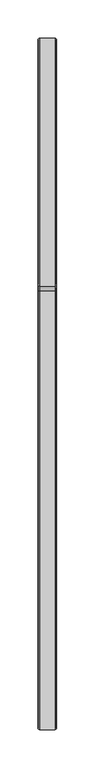
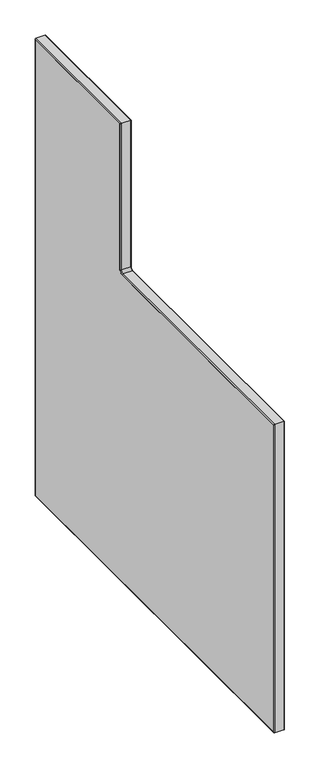
"""IFC4 building model written with IfcOpenShell, lengths in millimetres: furniture geometry."""

from ifc_helpers import new_model, si_unit, point, frame, frame_2d, origin, place, context, project, spatial, polyline, circle_curve, ellipse_curve, trimmed, segment, composite_curve, outline, extrude, source, transform, mapped, element, save
from ifc_brep_helpers import plane_surface, cylinder_surface, revolved_surface, advanced_brep


def furniture_fae74a5c(model_context):
    return source(origin(), model_context, "Body", "SolidModel", [
        extrude(outline(composite_curve([segment(polyline([(72.009, 2.0066), (-825.8302, 2.0066), (-825.8302, 709.1922857), (-255.2785266, 709.1922857)]), True, "CONTINUOUS"), segment(trimmed(circle_curve(frame_2d((-255.2785266, 717.2890923)), 8.0968066), [point((-255.2785266, 709.1922857))], [point((-247.1817201, 717.2890923))], True, "CARTESIAN"), True, "CONTINUOUS"), segment(polyline([(-247.1817201, 717.2890923), (-247.1817201, 1052.8002731), (72.009, 1052.8002731), (72.009, 2.0066)]), True, "CONTINUOUS")], self_intersect=False)), frame((-24.0573997, 0.0, 0.0), z_axis=(1.0, 0.0, 0.0), x_axis=(0.0, 1.0, 0.0)), (0.0, 0.0, 1.0), 23.9999997),
        advanced_brep(
        [(-24.0573997, -825.8302, 2.0066), (-0.0573768, -825.8302, 2.0066), (-0.0573768, 72.009, 2.0066), (-24.0573997, 72.009, 2.0066), (-22.0573764, -827.8302233, 0.0065767), (-22.0573764, 74.0090233, 0.0065767), (-2.0574, -827.8302233, 0.0065767), (-2.0574, 74.0090233, 0.0065767), (-0.0573768, 72.009, 1052.8002731), (-24.0573997, 72.009, 1052.8002731), (-22.0573764, 74.0090233, 1054.8002964), (-2.0574, 74.0090233, 1054.8002964), (-0.0573768, -247.1817201, 1052.8002731), (-24.0573997, -247.1817201, 1052.8002731), (-22.0573764, -249.1817433, 1054.8002964), (-2.0574, -249.1817433, 1054.8002964), (-0.0573768, -247.1817201, 717.2890923), (-24.0573997, -247.1817201, 717.2890923), (-22.0573764, -249.1817433, 717.2890923), (-2.0574, -249.1817433, 717.2890923), (-24.0573997, -255.2785266, 709.1922857), (-0.0573768, -255.2785266, 709.1922857), (-22.0573764, -255.2785266, 711.192309), (-2.0574, -255.2785266, 711.192309), (-0.0573768, -825.8302, 709.1922857), (-24.0573997, -825.8302, 709.1922857), (-22.0573764, -827.8302233, 711.192309), (-2.0574, -827.8302233, 711.192309)],
        [
            (0, 1),
            (1, 2),
            (2, 3),
            (3, 0),
            (4, 0, ellipse_curve(frame((-22.0573764, -825.8302, 2.0066), z_axis=(0.0, 0.7071067811865475, -0.7071067811865475), x_axis=(0.0, -0.7071067811865476, -0.7071067811865474)), 2.82846, 2.0000233)),
            (3, 5, ellipse_curve(frame((-22.0573764, 72.009, 2.0066), z_axis=(0.0, -0.7071067811865475, -0.7071067811865475), x_axis=(0.0, -0.7071067811865476, 0.7071067811865474)), 2.82846, 2.0000233)),
            (5, 4),
            (6, 4),
            (5, 7),
            (7, 6),
            (1, 6, ellipse_curve(frame((-2.0574, -825.8302, 2.0066), z_axis=(0.0, 0.7071067811865475, -0.7071067811865475), x_axis=(0.0, -0.7071067811865476, -0.7071067811865474)), 2.82846, 2.0000233)),
            (7, 2, ellipse_curve(frame((-2.0574, 72.009, 2.0066), z_axis=(0.0, -0.7071067811865475, -0.7071067811865475), x_axis=(0.0, -0.7071067811865476, 0.7071067811865474)), 2.82846, 2.0000233)),
            (2, 8),
            (8, 9),
            (9, 3),
            (9, 10, ellipse_curve(frame((-22.0573764, 72.009, 1052.8002731), z_axis=(0.0, 0.7071067811865475, -0.7071067811865475), x_axis=(0.0, -0.7071067811865474, -0.7071067811865476)), 2.82846, 2.0000233)),
            (10, 5),
            (10, 11),
            (11, 7),
            (11, 8, ellipse_curve(frame((-2.0574, 72.009, 1052.8002731), z_axis=(0.0, 0.7071067811865475, -0.7071067811865475), x_axis=(0.0, -0.7071067811865474, -0.7071067811865476)), 2.82846, 2.0000233)),
            (8, 12),
            (12, 13),
            (13, 9),
            (13, 14, ellipse_curve(frame((-22.0573764, -247.1817201, 1052.8002731), z_axis=(0.0, 0.70710678118653, 0.707106781186565), x_axis=(0.0, 0.707106781186565, -0.70710678118653)), 2.82846, 2.0000233)),
            (14, 10),
            (14, 15),
            (15, 11),
            (15, 12, ellipse_curve(frame((-2.0574, -247.1817201, 1052.8002731), z_axis=(0.0, 0.70710678118653, 0.707106781186565), x_axis=(0.0, 0.707106781186565, -0.70710678118653)), 2.82846, 2.0000233)),
            (12, 16),
            (16, 17),
            (17, 13),
            (17, 18, circle_curve(frame((-22.0573764, -247.1817201, 717.2890923), z_axis=(0.0, 0.0, 1.0), x_axis=(1.0, 0.0, 0.0)), 2.0000233)),
            (18, 14),
            (18, 19),
            (19, 15),
            (19, 16, circle_curve(frame((-2.0574, -247.1817201, 717.2890923), z_axis=(0.0, 0.0, 1.0), x_axis=(1.0, 0.0, 0.0)), 2.0000233)),
            (20, 17, circle_curve(frame((-24.0573997, -255.2785266, 717.2890923), z_axis=(1.0, 0.0, 0.0), x_axis=(0.0, 1.0, 0.0)), 8.0968066)),
            (16, 21, circle_curve(frame((-0.0573768, -255.2785266, 717.2890923), z_axis=(-1.0, 0.0, 0.0), x_axis=(0.0, 1.0, 0.0)), 8.0968066)),
            (21, 20),
            (22, 18, circle_curve(frame((-22.0573764, -255.2785266, 717.2890923), z_axis=(1.0, 0.0, 0.0), x_axis=(0.0, 1.0, 0.0)), 6.0967833)),
            (20, 22, circle_curve(frame((-22.0573764, -255.2785266, 709.1922857), z_axis=(0.0, 1.0, 0.0), x_axis=(1.0, 0.0, 0.0)), 2.0000233)),
            (23, 19, circle_curve(frame((-2.0574, -255.2785266, 717.2890923), z_axis=(1.0, 0.0, 0.0), x_axis=(0.0, 1.0, 0.0)), 6.0967833)),
            (22, 23),
            (23, 21, circle_curve(frame((-2.0574, -255.2785266, 709.1922857), z_axis=(0.0, 1.0, 0.0), x_axis=(1.0, 0.0, 0.0)), 2.0000233)),
            (21, 24),
            (24, 25),
            (25, 20),
            (25, 26, ellipse_curve(frame((-22.0573764, -825.8302, 709.1922857), z_axis=(0.0, 0.7071067811865475, 0.7071067811865475), x_axis=(0.0, 0.7071067811865476, -0.7071067811865474)), 2.82846, 2.0000233)),
            (26, 22),
            (26, 27),
            (27, 23),
            (27, 24, ellipse_curve(frame((-2.0574, -825.8302, 709.1922857), z_axis=(0.0, 0.7071067811865475, 0.7071067811865475), x_axis=(0.0, 0.7071067811865476, -0.7071067811865474)), 2.82846, 2.0000233)),
            (24, 1),
            (0, 25),
            (4, 26),
            (6, 27),
        ],
        [
            plane_surface(frame((-0.0573768, -825.8302, 2.0066), z_axis=(0.0, 0.0, 1.0), x_axis=(0.0, 1.0, 0.0))),
            cylinder_surface(frame((-22.0573764, -825.8302, 2.0066), z_axis=(0.0, -1.0, 0.0), x_axis=(1.0, 0.0, 0.0)), 2.0000233),
            plane_surface(frame((-22.0573764, -827.8302233, 0.0065767), z_axis=(0.0, 0.0, -1.0), x_axis=(0.0, 1.0, 0.0))),
            cylinder_surface(frame((-2.0574, -825.8302, 2.0066), z_axis=(0.0, -1.0, 0.0), x_axis=(1.0, 0.0, 0.0)), 2.0000233),
            plane_surface(frame((-0.0573768, 72.009, 2.0066), z_axis=(0.0, -1.0, 0.0), x_axis=(0.0, 0.0, 1.0))),
            cylinder_surface(frame((-22.0573764, 72.009, 2.0066), z_axis=(0.0, 0.0, -1.0), x_axis=(1.0, 0.0, 0.0)), 2.0000233),
            plane_surface(frame((-22.0573764, 74.0090233, 0.0065767), z_axis=(0.0, 1.0, 0.0), x_axis=(0.0, 0.0, 1.0))),
            cylinder_surface(frame((-2.0574, 72.009, 2.0066), z_axis=(0.0, 0.0, -1.0), x_axis=(1.0, 0.0, 0.0)), 2.0000233),
            plane_surface(frame((-0.0573768, 72.009, 1052.8002731), z_axis=(0.0, 0.0, -1.0), x_axis=(0.0, -1.0, 0.0))),
            cylinder_surface(frame((-22.0573764, 72.009, 1052.8002731), z_axis=(0.0, 1.0, 0.0), x_axis=(1.0, 0.0, 0.0)), 2.0000233),
            plane_surface(frame((-22.0573764, 74.0090233, 1054.8002964), z_axis=(0.0, 0.0, 1.0), x_axis=(0.0, -1.0, 0.0))),
            cylinder_surface(frame((-2.0574, 72.009, 1052.8002731), z_axis=(0.0, 1.0, 0.0), x_axis=(1.0, 0.0, 0.0)), 2.0000233),
            plane_surface(frame((-0.0573768, -247.1817201, 1052.8002731), z_axis=(0.0, 1.0, 0.0), x_axis=(0.0, 0.0, -1.0))),
            cylinder_surface(frame((-22.0573764, -247.1817201, 1052.8002731), z_axis=(0.0, 0.0, 1.0), x_axis=(1.0, 0.0, 0.0)), 2.0000233),
            plane_surface(frame((-22.0573764, -249.1817433, 1054.8002964), z_axis=(0.0, -1.0, 0.0), x_axis=(0.0, 0.0, -1.0))),
            cylinder_surface(frame((-2.0574, -247.1817201, 1052.8002731), z_axis=(0.0, 0.0, 1.0), x_axis=(1.0, 0.0, 0.0)), 2.0000233),
            cylinder_surface(frame((-0.0254, -255.2785266, 717.2890923), z_axis=(-1.0, 0.0, 0.0), x_axis=(0.0, 1.0, 0.0)), 8.0968066),
            revolved_surface(trimmed(ellipse_curve(frame((-22.0573764, -247.1817201, 717.2890923), z_axis=(0.0, 0.0, 1.0), x_axis=(1.0, 0.0, 0.0)), 2.0000233, 2.0000233), [point((-24.0573997, -247.1817201, 717.2890923))], [point((-22.0573764, -249.1817433, 717.2890923))], True, "CARTESIAN"), (-0.0254, -255.2785266, 717.2890923), (-1.0, 0.0, 0.0)),
            revolved_surface(polyline([(-22.0573764, -249.1817433, 717.2890923), (-2.0574, -249.1817433, 717.2890923)]), (-0.0254, -255.2785266, 717.2890923), (-1.0, 0.0, 0.0)),
            revolved_surface(trimmed(ellipse_curve(frame((-2.0574, -247.1817201, 717.2890923), z_axis=(0.0, 0.0, 1.0), x_axis=(1.0, 0.0, 0.0)), 2.0000233, 2.0000233), [point((-2.0574, -249.1817433, 717.2890923))], [point((-0.0573768, -247.1817201, 717.2890923))], True, "CARTESIAN"), (-0.0254, -255.2785266, 717.2890923), (-1.0, 0.0, 0.0)),
            plane_surface(frame((-0.0573768, -255.2785266, 709.1922857), z_axis=(0.0, 0.0, -1.0), x_axis=(0.0, -1.0, 0.0))),
            cylinder_surface(frame((-22.0573764, -255.2785266, 709.1922857), z_axis=(0.0, 1.0, 0.0), x_axis=(1.0, 0.0, 0.0)), 2.0000233),
            plane_surface(frame((-22.0573764, -255.2785266, 711.192309), z_axis=(0.0, 0.0, 1.0), x_axis=(0.0, -1.0, 0.0))),
            cylinder_surface(frame((-2.0574, -255.2785266, 709.1922857), z_axis=(0.0, 1.0, 0.0), x_axis=(1.0, 0.0, 0.0)), 2.0000233),
            plane_surface(frame((-0.0573768, -825.8302, 709.1922857), z_axis=(0.0, 1.0, 0.0), x_axis=(0.0, 0.0, -1.0))),
            cylinder_surface(frame((-22.0573764, -825.8302, 709.1922857), z_axis=(0.0, 0.0, 1.0), x_axis=(1.0, 0.0, 0.0)), 2.0000233),
            plane_surface(frame((-22.0573764, -827.8302233, 711.192309), z_axis=(0.0, -1.0, 0.0), x_axis=(0.0, 0.0, -1.0))),
            cylinder_surface(frame((-2.0574, -825.8302, 709.1922857), z_axis=(0.0, 0.0, 1.0), x_axis=(1.0, 0.0, 0.0)), 2.0000233),
        ],
        [
            (0, [[1, 2, 3, 4]]),
            (1, [[5, -4, 6, 7]]),
            (2, [[8, -7, 9, 10]]),
            (3, [[11, -10, 12, -2]]),
            (4, [[-3, 13, 14, 15]]),
            (5, [[-6, -15, 16, 17]]),
            (6, [[-9, -17, 18, 19]]),
            (7, [[-12, -19, 20, -13]]),
            (8, [[-14, 21, 22, 23]]),
            (9, [[-16, -23, 24, 25]]),
            (10, [[-18, -25, 26, 27]]),
            (11, [[-20, -27, 28, -21]]),
            (12, [[-22, 29, 30, 31]]),
            (13, [[-24, -31, 32, 33]]),
            (14, [[-26, -33, 34, 35]]),
            (15, [[-28, -35, 36, -29]]),
            (16, [[37, -30, 38, 39]]),
            (17, [[40, -32, -37, 41]]),
            (18, [[42, -34, -40, 43]]),
            (19, [[-38, -36, -42, 44]]),
            (20, [[-39, 45, 46, 47]]),
            (21, [[-41, -47, 48, 49]]),
            (22, [[-43, -49, 50, 51]]),
            (23, [[-44, -51, 52, -45]]),
            (24, [[-46, 53, -1, 54]]),
            (25, [[-48, -54, -5, 55]]),
            (26, [[-50, -55, -8, 56]]),
            (27, [[-52, -56, -11, -53]]),
        ],
    ),
    ])


if __name__ == "__main__":
    model = new_model("IFC4")
    model_context = context("Model", 3, world=origin())
    ifc_project = project(units=[si_unit("LENGTHUNIT", "METRE", prefix="MILLI")], contexts=[model_context])
    site = spatial("IfcSite", under=ifc_project)
    building = spatial("IfcBuilding", under=site)
    placement = place(None, origin())
    furniture_shape = furniture_fae74a5c(model_context)
    element("IfcFurniture", 1, at=placement, inside=building, context=model_context, shape_type="MappedRepresentation", body=[
        mapped(furniture_shape, transform((0.0, 0.0, 0.0), x_axis=(1.0, 0.0, 0.0), y_axis=(0.0, 1.0, 0.0), z_axis=(0.0, 0.0, 1.0))),
    ])
    save(model, "model.ifc")
